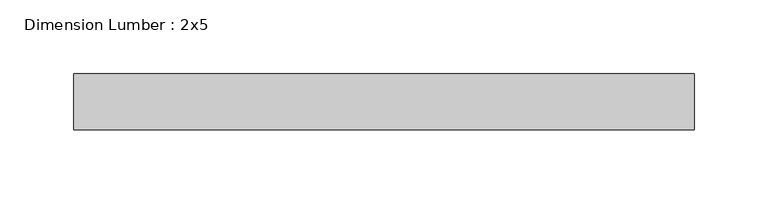
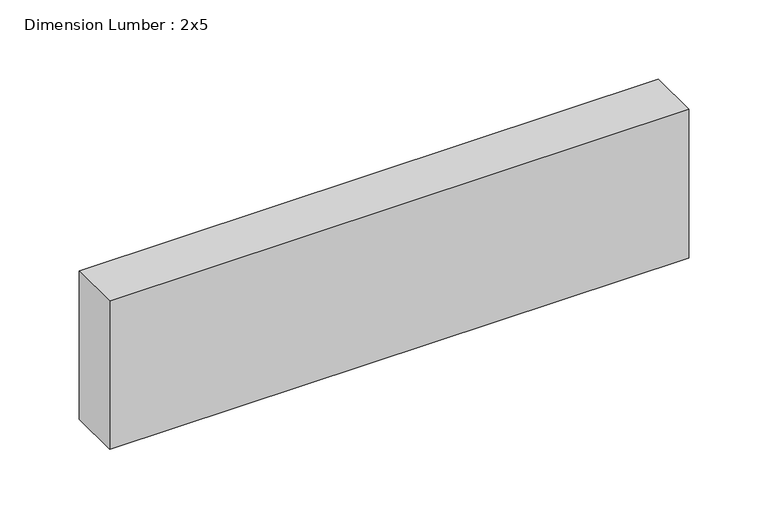
"""IFC4 building model written with IfcOpenShell, lengths in millimetres: beam geometry, Dimension Lumber : 2x5."""

import ifcopenshell
import ifcopenshell.guid

model = None  # the IFC model being written
_history = None  # IfcOwnerHistory: only IFC2X3 demands one
_inside = {}  # id of a spatial element -> (the spatial element, [elements in it])
_under = {}  # id of a project, library or spatial element -> (it, [spatial elements below it])
_declared = {}  # id of a project -> (the project, [libraries it declares])
_typed = {}  # id of a type object -> (the type object, [elements of that type])
_made_of = {}  # id of a material, layer set ... -> (it, [elements and type objects made of it])


def new_model(schema):
    """Start an empty IFC model of exactly this schema.

    Asked for "IFC4X3", IfcOpenShell would pick the latest addendum, in which some entities
    have other attributes; the version numbers below select the first issue.
    IFC2X3 requires an IfcOwnerHistory on every rooted entity: one is made here for all.
    """
    global model, _history
    if schema == "IFC4X3":
        model = ifcopenshell.file(schema_version=(4, 3, 0, 0))
    else:
        model = ifcopenshell.file(schema=schema)
    _inside.clear()
    _under.clear()
    _declared.clear()
    _typed.clear()
    _made_of.clear()
    _history = None
    if model.schema == "IFC2X3":
        org = make("IfcOrganization", Name="unknown")
        user = make(
            "IfcPersonAndOrganization",
            ThePerson=make("IfcPerson", FamilyName="unknown"),
            TheOrganization=org,
        )
        app = make(
            "IfcApplication",
            ApplicationDeveloper=org,
            Version="unknown",
            ApplicationFullName="unknown",
            ApplicationIdentifier="unknown",
        )
        _history = make(
            "IfcOwnerHistory",
            OwningUser=user,
            OwningApplication=app,
            ChangeAction="ADDED",
            CreationDate=0,
        )
    return model


def make(cls, **values):
    """One entity of the class cls with the attributes given. An attribute that is None is left unset."""
    return model.create_entity(
        cls, **{name: value for name, value in values.items() if value is not None}
    )


def rooted(cls, **values):
    """An entity with a GlobalId (a new one), such as an element, a storey or a relation."""
    return make(cls, GlobalId=ifcopenshell.guid.new(), OwnerHistory=_history, **values)


def si_unit(unit_type, name, prefix=None):
    """IfcSIUnit, for example si_unit("LENGTHUNIT", "METRE", prefix="MILLI")."""
    return make("IfcSIUnit", UnitType=unit_type, Prefix=prefix, Name=name)


def assignment(units):
    """IfcUnitAssignment: the units of a project."""
    return None if units is None else make("IfcUnitAssignment", Units=units)


def point(xyz):
    """IfcCartesianPoint."""
    return None if xyz is None else make("IfcCartesianPoint", Coordinates=xyz)


def direction(xyz):
    """IfcDirection."""
    return None if xyz is None else make("IfcDirection", DirectionRatios=xyz)


def frame(location, z_axis=None, x_axis=None):
    """IfcAxis2Placement3D, a coordinate frame: its origin and axes. An axis left out is left unset."""
    return make(
        "IfcAxis2Placement3D",
        Location=point(location),
        Axis=direction(z_axis),
        RefDirection=direction(x_axis),
    )


def origin():
    """The frame at (0, 0, 0) with its axes left unset."""
    return frame((0.0, 0.0, 0.0))


def place(relative_to, where):
    """IfcLocalPlacement: puts the frame where relative to a parent placement (None: the world)."""
    return make(
        "IfcLocalPlacement", PlacementRelTo=relative_to, RelativePlacement=where
    )


def context(
    kind, dimensions, precision=None, world=None, true_north=None, identifier=None
):
    """IfcGeometricRepresentationContext, for example the 3D "Model" context."""
    return make(
        "IfcGeometricRepresentationContext",
        ContextIdentifier=identifier,
        ContextType=kind,
        CoordinateSpaceDimension=dimensions,
        Precision=precision,
        WorldCoordinateSystem=world,
        TrueNorth=true_north,
    )


def project(units=None, contexts=None):
    """IfcProject with its units and contexts."""
    return rooted(
        "IfcProject",
        Name="project",
        RepresentationContexts=contexts,
        UnitsInContext=assignment(units),
    )


def spatial(cls, under=None, at=None, **own):
    """A site, building, storey or space (cls), placed at a placement, below another one or the project."""
    s = rooted(cls, ObjectPlacement=at, **own)
    if under is not None:
        _under.setdefault(under.id(), (under, []))[1].append(s)
    return s


def polyline(points):
    """IfcPolyline through the points."""
    return make("IfcPolyline", Points=[point(p) for p in points])


def outline(outer, holes=None, kind="AREA"):
    """IfcArbitraryClosedProfileDef: a profile drawn as a closed curve; with holes, ...WithVoids."""
    if holes is None:
        return make("IfcArbitraryClosedProfileDef", ProfileType=kind, OuterCurve=outer)
    return make(
        "IfcArbitraryProfileDefWithVoids",
        ProfileType=kind,
        OuterCurve=outer,
        InnerCurves=holes,
    )


def extrude(swept, where, along, depth):
    """IfcExtrudedAreaSolid: the profile swept, set in the frame where, extruded along a direction by depth."""
    return make(
        "IfcExtrudedAreaSolid",
        SweptArea=swept,
        Position=where,
        ExtrudedDirection=direction(along),
        Depth=depth,
    )


def shape(context_of_items, identifier, shape_type, items):
    """IfcShapeRepresentation: the items that make up one representation, for example the "Body"."""
    return make(
        "IfcShapeRepresentation",
        ContextOfItems=context_of_items,
        RepresentationIdentifier=identifier,
        RepresentationType=shape_type,
        Items=items,
    )


def source(mapping_origin, context_of_items, identifier, shape_type, items):
    """IfcRepresentationMap: a shape defined once, which mapped items show again and again."""
    return make(
        "IfcRepresentationMap",
        MappingOrigin=mapping_origin,
        MappedRepresentation=shape(context_of_items, identifier, shape_type, items),
    )


def transform(
    local_origin,
    x_axis=None,
    y_axis=None,
    z_axis=None,
    scale=None,
    scale2=None,
    scale3=None,
    uniform=True,
):
    """IfcCartesianTransformationOperator3D, or its non-uniform kind. x_axis, y_axis, z_axis: its Axis1, 2, 3."""
    if uniform:
        return make(
            "IfcCartesianTransformationOperator3D",
            Axis1=direction(x_axis),
            Axis2=direction(y_axis),
            LocalOrigin=point(local_origin),
            Scale=scale,
            Axis3=direction(z_axis),
        )
    return make(
        "IfcCartesianTransformationOperator3DnonUniform",
        Axis1=direction(x_axis),
        Axis2=direction(y_axis),
        LocalOrigin=point(local_origin),
        Scale=scale,
        Axis3=direction(z_axis),
        Scale2=scale2,
        Scale3=scale3,
    )


def mapped(mapping_source, mapping_target):
    """IfcMappedItem: shows the shape of a source again, moved by a transform."""
    return make(
        "IfcMappedItem", MappingSource=mapping_source, MappingTarget=mapping_target
    )


def made_of(thing, what):
    """Note that an element or type object is made of a material, layer set ...; save() writes the relation."""
    if what is not None:
        _made_of.setdefault(what.id(), (what, []))[1].append(thing)
    return thing


def element(
    cls,
    number,
    at=None,
    inside=None,
    cuts=None,
    type_object=None,
    material=None,
    context=None,
    identifier="Body",
    shape_type=None,
    held_by="IfcProductDefinitionShape",
    body=None,
    shapes=None,
    **own,
):
    """One element of the class cls, such as IfcWall. Its Tag is "e" and its number.

    at: its placement. inside: the storey or other place that contains it. cuts: it is an
    opening in that element (IfcRelVoidsElement). A single representation is given by context,
    identifier, shape_type and body (its items); several are given by shapes. held_by: the class
    of the entity that holds the representations. save() writes the other relations.
    """
    e = rooted(cls, Tag="e%d" % number, ObjectPlacement=at, **own)
    if body is not None:
        shapes = [shape(context, identifier, shape_type, body)]
    if shapes is not None:
        e.Representation = make(held_by, Representations=shapes)
    if inside is not None:
        _inside.setdefault(inside.id(), (inside, []))[1].append(e)
    if cuts is not None:
        rooted(
            "IfcRelVoidsElement", RelatingBuildingElement=cuts, RelatedOpeningElement=e
        )
    if type_object is not None:
        _typed.setdefault(type_object.id(), (type_object, []))[1].append(e)
    return made_of(e, material)


def aggregate(whole, parts):
    """IfcRelAggregates: a whole, such as a stair, and the parts it consists of."""
    return rooted("IfcRelAggregates", RelatingObject=whole, RelatedObjects=parts)


def save(model, path):
    """Write the relations noted so far, then the file.

    IfcRelAggregates (storeys below a building ...), IfcRelContainedInSpatialStructure (elements
    in a storey), IfcRelDefinesByType, IfcRelAssociatesMaterial and IfcRelDeclares: one each for
    every whole, place, type object, material and project.
    """
    for whole, parts in _under.values():
        aggregate(whole, parts)
    for where, things in _inside.values():
        rooted(
            "IfcRelContainedInSpatialStructure",
            RelatedElements=things,
            RelatingStructure=where,
        )
    for kind, things in _typed.values():
        rooted("IfcRelDefinesByType", RelatedObjects=things, RelatingType=kind)
    for what, things in _made_of.values():
        rooted("IfcRelAssociatesMaterial", RelatedObjects=things, RelatingMaterial=what)
    for by, libraries in _declared.values():
        rooted("IfcRelDeclares", RelatingContext=by, RelatedDefinitions=libraries)
    model.write(path)


def dimension_lumber_2x5_937e99fc(model_context):
    return source(origin(), model_context, "Body", "SweptSolid", [
        extrude(outline(polyline([(207.9819148, 19.05), (207.9819148, -19.05), (-213.0044536, -19.05), (-213.0044536, 19.05), (207.9819148, 19.05)])), frame((0.0, 0.0, -57.15), z_axis=(0.0, 0.0, 1.0), x_axis=(1.0, 0.0, 0.0)), (0.0, 0.0, 1.0), 114.3),
    ])


if __name__ == "__main__":
    model = new_model("IFC4")
    model_context = context("Model", 3, world=origin())
    ifc_project = project(units=[si_unit("LENGTHUNIT", "METRE", prefix="MILLI")], contexts=[model_context])
    site = spatial("IfcSite", under=ifc_project)
    building = spatial("IfcBuilding", under=site)
    placement = place(None, origin())
    dimension_lumber_2x5_shape = dimension_lumber_2x5_937e99fc(model_context)
    element("IfcBeam", 1, ObjectType="Dimension Lumber : 2x5", at=placement, inside=building, context=model_context, shape_type="MappedRepresentation", body=[
        mapped(dimension_lumber_2x5_shape, transform((0.0, 0.0, 0.0), x_axis=(1.0, 0.0, 0.0), y_axis=(0.0, 1.0, 0.0), z_axis=(0.0, 0.0, 1.0))),
    ])
    save(model, "model.ifc")
